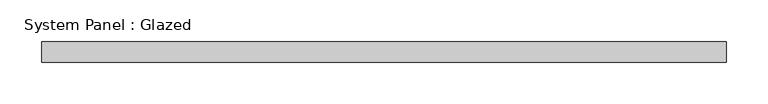
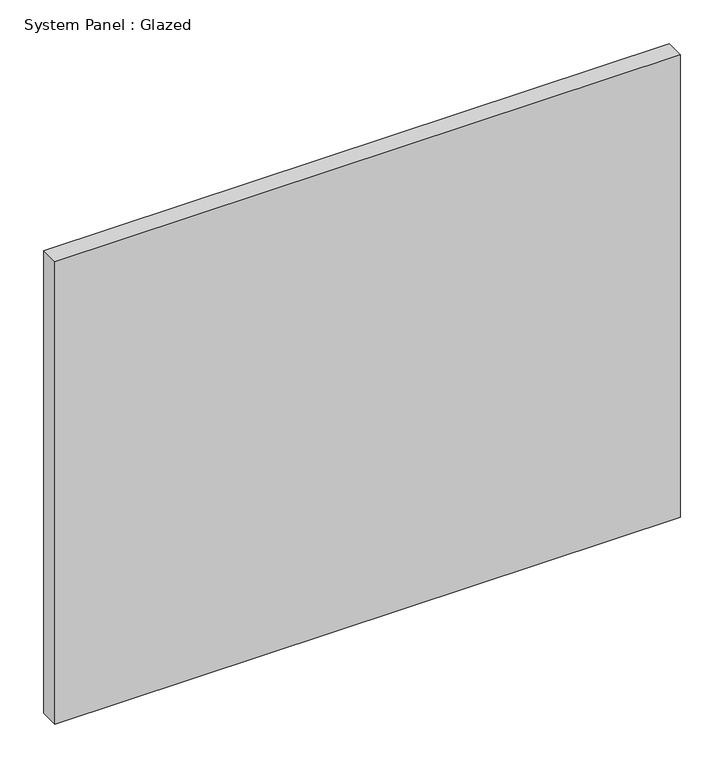
"""IFC4 building model written with IfcOpenShell, lengths in millimetres: plate geometry, System Panel : Glazed."""

from ifc_helpers import new_model, si_unit, origin, origin_with_axes, place, context, project, spatial, polyline, outline, extrude, source, transform, mapped, element, save


def system_panel_glazed_eb74fc75(model_context):
    return source(origin(), model_context, "Body", "SweptSolid", [
        extrude(outline(polyline([(412.5, -49.5), (-412.5, -49.5), (-412.5, -24.5), (412.5, -24.5), (412.5, -49.5)])), origin_with_axes(), (0.0, 0.0, 1.0), 645.0),
    ])


if __name__ == "__main__":
    model = new_model("IFC4")
    model_context = context("Model", 3, world=origin())
    ifc_project = project(units=[si_unit("LENGTHUNIT", "METRE", prefix="MILLI")], contexts=[model_context])
    site = spatial("IfcSite", under=ifc_project)
    building = spatial("IfcBuilding", under=site)
    placement = place(None, origin())
    system_panel_glazed_shape = system_panel_glazed_eb74fc75(model_context)
    element("IfcPlate", 1, ObjectType="System Panel : Glazed", at=placement, inside=building, context=model_context, shape_type="MappedRepresentation", body=[
        mapped(system_panel_glazed_shape, transform((0.0, 0.0, 0.0), x_axis=(1.0, 0.0, 0.0), y_axis=(0.0, 1.0, 0.0), z_axis=(0.0, 0.0, 1.0))),
    ])
    save(model, "model.ifc")
